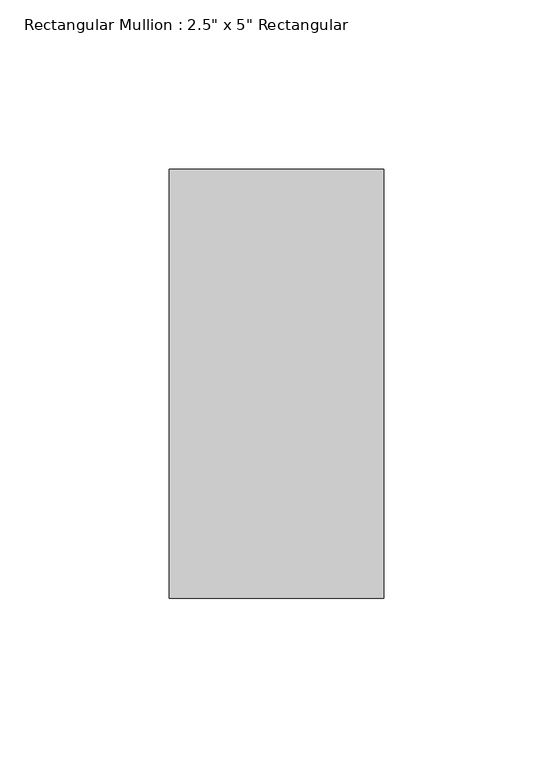
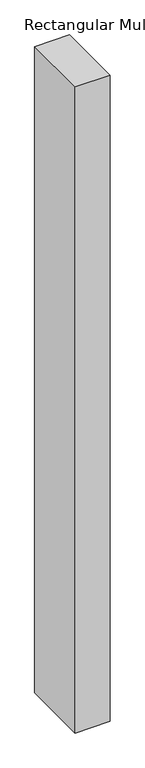
"""IFC4 building model written with IfcOpenShell, lengths in millimetres: member geometry."""

from ifc_helpers import new_model, si_unit, frame, origin, place, context, project, spatial, polyline, outline, extrude, source, transform, mapped, element, save


def member_8068b525(model_context):
    return source(origin(), model_context, "Body", "SweptSolid", [
        extrude(outline(polyline([(31.75, 63.5), (31.75, -63.5), (-31.75, -63.5), (-31.75, 63.5), (31.75, 63.5)])), frame((0.0, 0.0, -1238.25), z_axis=(0.0, 0.0, 1.0), x_axis=(1.0, 0.0, 0.0)), (0.0, 0.0, 1.0), 1238.25),
    ])


if __name__ == "__main__":
    model = new_model("IFC4")
    model_context = context("Model", 3, world=origin())
    ifc_project = project(units=[si_unit("LENGTHUNIT", "METRE", prefix="MILLI")], contexts=[model_context])
    site = spatial("IfcSite", under=ifc_project)
    building = spatial("IfcBuilding", under=site)
    placement = place(None, origin())
    member_shape = member_8068b525(model_context)
    element("IfcMember", 1, ObjectType="Rectangular Mullion : 2.5\" x 5\" Rectangular", at=placement, inside=building, context=model_context, shape_type="MappedRepresentation", body=[
        mapped(member_shape, transform((0.0, 0.0, 0.0), x_axis=(1.0, 0.0, 0.0), y_axis=(0.0, 1.0, 0.0), z_axis=(0.0, 0.0, 1.0))),
    ])
    save(model, "model.ifc")
